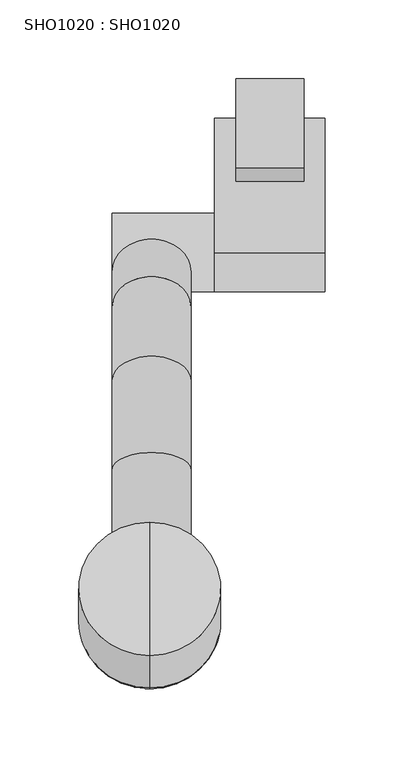
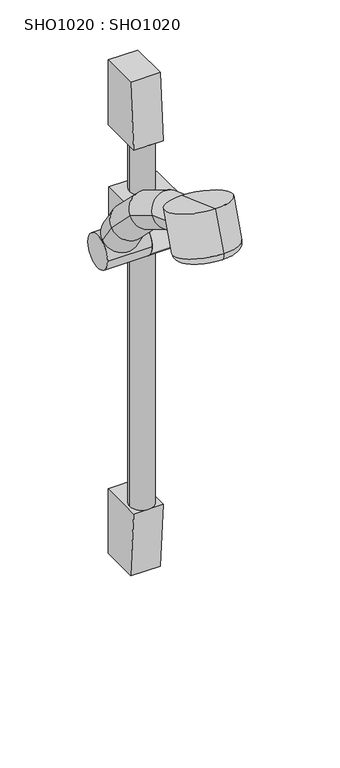
"""IFC4 building model written with IfcOpenShell, lengths in millimetres: proxy geometry, SHO1020 : SHO1020."""

from ifc_helpers import new_model, si_unit, point, frame, frame_2d, origin, place, context, project, spatial, polyline, circle_curve, ellipse_curve, trimmed, segment, composite_curve, outline, extrude, source, transform, mapped, element, save
from ifc_brep_helpers import plane_surface, cylinder_surface, revolved_surface, advanced_brep


def sho1020_sho1020_70cfc696(model_context):
    return source(origin(), model_context, "Body", "SolidModel", [
        advanced_brep(
        [(0.0, -301.3261936, 684.3144173), (0.0, -385.9329646, 715.0014553), (0.0, -365.4550158, 771.4609001), (0.0, -280.8482448, 740.7738621), (0.0, -314.0603622, 678.3034915), (0.0, -380.0131289, 702.2246864), (0.0, -347.1192145, 690.2940006), (0.0, -323.1688213, 756.0699841)],
        [
            (0, 1, circle_curve(frame((0.0, -343.6295791, 699.6579363), z_axis=(0.0, 0.3409670888109992, 0.9400752333445191), x_axis=(0.0, -0.9400752333445191, 0.3409670888109992)), 45.0)),
            (1, 2),
            (2, 3, circle_curve(frame((0.0, -323.1516303, 756.1173811), z_axis=(0.0, -0.3409670888109992, -0.9400752333445191), x_axis=(0.0, -0.9400752333445191, 0.3409670888109992)), 45.0)),
            (3, 0),
            (1, 0, circle_curve(frame((0.0, -343.6295791, 699.6579363), z_axis=(0.0, 0.3409670888109992, 0.9400752333445191), x_axis=(0.0, -0.9400752333445191, 0.3409670888109992)), 45.0)),
            (3, 2, circle_curve(frame((0.0, -323.1516303, 756.1173811), z_axis=(0.0, -0.3409670888109992, -0.9400752333445191), x_axis=(0.0, -0.9400752333445191, 0.3409670888109992)), 45.0)),
            (4, 5, circle_curve(frame((0.0, -347.0367455, 690.2640889), z_axis=(0.0, 0.3409670888109992, 0.9400752333445191), x_axis=(0.0, -0.9400752333445191, 0.3409670888109992)), 35.0784514)),
            (5, 1, circle_curve(frame((0.0, -376.5929216, 711.6216288), z_axis=(-1.0, 0.0, 0.0), x_axis=(0.0, -1.0, 0.0)), 10.0000172)),
            (0, 4, circle_curve(frame((0.0, -310.6612203, 687.7080744), z_axis=(-1.0, 0.0, 0.0), x_axis=(0.0, 0.7674828886955043, -0.6410694311536029)), 10.0000172)),
            (5, 4, circle_curve(frame((0.0, -347.0367455, 690.2640889), z_axis=(0.0, 0.3409670888109992, 0.9400752333445191), x_axis=(0.0, -0.9400752333445191, 0.3409670888109992)), 35.0784514)),
            (6, 5),
            (4, 6),
            (2, 7),
            (7, 3),
        ],
        [
            cylinder_surface(frame((0.0, -323.1688213, 756.0699841), z_axis=(0.0, -0.3409670888109992, -0.9400752333445191), x_axis=(0.0, -0.9400752333445191, 0.3409670888109992)), 45.0),
            revolved_surface(trimmed(ellipse_curve(frame((0.0, -376.5929216, 711.6216288), z_axis=(1.0, 0.0, 0.0), x_axis=(0.0, -1.0, 0.0)), 10.0000172, 10.0000172), [point((0.0, -385.9961958, 715.0243893))], [point((0.0, -380.0131289, 702.2246864))], True, "CARTESIAN"), (0.0, -323.1688213, 756.0699841), (0.0, -0.3409670888109992, -0.9400752333445191)),
            plane_surface(frame((0.0, -347.0367455, 690.2640889), z_axis=(0.0, -0.3409670888109992, -0.9400752333445191), x_axis=(0.0, -0.9400752333445191, 0.3409670888109992))),
            plane_surface(frame((0.0, -323.1688213, 756.0699841), z_axis=(0.0, 0.3409670888109992, 0.9400752333445191), x_axis=(0.0, -0.9400752333445191, 0.3409670888109992))),
        ],
        [
            (0, [[1, 2, 3, 4]]),
            (0, [[5, -4, 6, -2]]),
            (1, [[7, 8, -1, 9]]),
            (1, [[10, -9, -5, -8]]),
            (2, [[11, -7, 12]]),
            (2, [[-12, -10, -11]]),
            (3, [[-3, 13, 14]]),
            (3, [[-6, -14, -13]]),
        ],
    ),
        advanced_brep(
        [(-23.8172618, -298.1800007, 716.7300161), (26.1827382, -298.1800007, 716.7300161), (-23.8172618, -247.7577527, 698.3778187), (26.1827382, -247.7577527, 698.3778187), (-23.8172618, -191.370005, 663.8099905), (26.1827382, -191.370005, 663.8099905), (-23.8172618, -144.6464787, 617.0864642), (26.1827382, -144.6464787, 617.0864642), (-23.8172618, -122.2787626, 583.9249613), (26.1827382, -122.2787626, 583.9249613)],
        [
            (0, 1, circle_curve(frame((1.1827382, -298.1800007, 716.7300161), z_axis=(0.0, -0.9396926207859072, 0.34202014332567193), x_axis=(1.0, 0.0, 0.0)), 25.0)),
            (1, 0, circle_curve(frame((1.1827382, -298.1800007, 716.7300161), z_axis=(0.0, -0.9396926207859072, 0.34202014332567193), x_axis=(1.0, 0.0, 0.0)), 25.0)),
            (0, 2),
            (2, 3, ellipse_curve(frame((1.1827382, -247.7577527, 698.3778187), z_axis=(0.0, -0.9006607902374254, 0.43452288884349505), x_axis=(0.0, -0.43452288884349577, -0.900660790237425)), 25.1266413, 25.0)),
            (3, 1),
            (3, 2, ellipse_curve(frame((1.1827382, -247.7577527, 698.3778187), z_axis=(0.0, -0.9006607902374254, 0.43452288884349505), x_axis=(0.0, -0.43452288884349577, -0.900660790237425)), 25.1266413, 25.0)),
            (2, 4),
            (4, 5, ellipse_curve(frame((1.1827382, -191.370005, 663.8099905), z_axis=(0.0, -0.7852635669697274, 0.6191616351082974), x_axis=(0.0, -0.6191616351082976, -0.7852635669697274)), 25.1742414, 25.0)),
            (5, 3),
            (5, 4, ellipse_curve(frame((1.1827382, -191.370005, 663.8099905), z_axis=(0.0, -0.7852635669697274, 0.6191616351082974), x_axis=(0.0, -0.6191616351082976, -0.7852635669697274)), 25.1742414, 25.0)),
            (4, 6),
            (6, 7, ellipse_curve(frame((1.1827382, -144.6464787, 617.0864642), z_axis=(0.0, -0.6360782202777626, 0.7716245833877212), x_axis=(0.0, -0.7716245833877196, -0.6360782202777644)), 25.1156274, 25.0)),
            (7, 5),
            (7, 6, ellipse_curve(frame((1.1827382, -144.6464787, 617.0864642), z_axis=(0.0, -0.6360782202777626, 0.7716245833877212), x_axis=(0.0, -0.7716245833877196, -0.6360782202777644)), 25.1156274, 25.0)),
            (8, 9, circle_curve(frame((1.1827382, -122.2787626, 583.9249613), z_axis=(0.0, 0.5591929034707458, -0.8290375725550426), x_axis=(1.0, 0.0, 0.0)), 25.0)),
            (9, 8, circle_curve(frame((1.1827382, -122.2787626, 583.9249613), z_axis=(0.0, 0.5591929034707458, -0.8290375725550426), x_axis=(1.0, 0.0, 0.0)), 25.0)),
            (6, 8),
            (9, 7),
        ],
        [
            plane_surface(frame((76.1827382, -298.1800007, 716.7300161), z_axis=(0.0, -0.9396926207859072, 0.34202014332567193), x_axis=(1.0, 0.0, 0.0))),
            cylinder_surface(frame((1.1827382, -298.1800007, 716.7300161), z_axis=(0.0, -0.9396926207859072, 0.34202014332567193), x_axis=(1.0, 0.0, 0.0)), 25.0),
            cylinder_surface(frame((1.1827382, -247.7577527, 698.3778187), z_axis=(0.0, -0.8525500812117509, 0.5226455386070343), x_axis=(1.0, 0.0, 0.0)), 25.0),
            cylinder_surface(frame((1.1827382, -191.370005, 663.8099905), z_axis=(0.0, -0.7071067811865461, 0.7071067811865491), x_axis=(1.0, 0.0, 0.0)), 25.0),
            plane_surface(frame((76.1827382, -122.2787626, 583.9249613), z_axis=(0.0, 0.5591929034707458, -0.8290375725550425), x_axis=(1.0, 0.0, 0.0))),
            cylinder_surface(frame((1.1827382, -144.6464787, 617.0864642), z_axis=(0.0, -0.5591929034707457, 0.8290375725550424), x_axis=(1.0, 0.0, 0.0)), 25.0),
        ],
        [
            (0, [[1, 2]]),
            (1, [[-1, 3, 4, 5]]),
            (1, [[-2, -5, 6, -3]]),
            (2, [[-4, 7, 8, 9]]),
            (2, [[-6, -9, 10, -7]]),
            (3, [[-8, 11, 12, 13]]),
            (3, [[-10, -13, 14, -11]]),
            (4, [[15, 16]]),
            (5, [[-12, 17, -16, 18]]),
            (5, [[-14, -18, -15, -17]]),
        ],
    ),
        extrude(outline(composite_curve([segment(polyline([(-25.0000002, 534.3100099), (-109.9999988, 534.3100099)]), True, "CONTINUOUS"), segment(trimmed(circle_curve(frame_2d((-109.9999988, 559.3100101)), 25.0000003), [point((-109.9999988, 534.3100099))], [point((-109.9999988, 584.3100104))], False, "CARTESIAN"), True, "CONTINUOUS"), segment(polyline([(-109.9999988, 584.3100104), (-25.0000002, 584.3100104), (-25.0000002, 534.3100099)]), True, "CONTINUOUS")], self_intersect=False)), frame((41.1827375, 0.0, 0.0), z_axis=(1.0, 0.0, 0.0), x_axis=(0.0, 1.0, 0.0)), (0.0, 0.0, 1.0), 70.0000014),
        extrude(outline(composite_curve([segment(trimmed(circle_curve(frame_2d((-109.9999988, 559.3100101)), 25.0000004), [point((-84.9999985, 559.3100101))], [point((-134.9999992, 559.3100101))], False, "CARTESIAN"), True, "CONTINUOUS"), segment(trimmed(circle_curve(frame_2d((-109.9999988, 559.3100101)), 25.0000004), [point((-134.9999992, 559.3100101))], [point((-84.9999985, 559.3100101))], False, "CARTESIAN"), True, "CONTINUOUS")], self_intersect=False)), frame((-23.8172626, 0.0, 0.0), z_axis=(1.0, 0.0, 0.0), x_axis=(0.0, 1.0, 0.0)), (0.0, 0.0, 1.0), 135.0000015),
        extrude(outline(composite_curve([segment(trimmed(circle_curve(frame_2d((76.1827382, -47.4999993)), 17.5), [point((58.6827382, -47.4999993))], [point((93.6827382, -47.4999993))], False, "CARTESIAN"), True, "CONTINUOUS"), segment(trimmed(circle_curve(frame_2d((76.1827382, -47.4999993)), 17.5), [point((93.6827382, -47.4999993))], [point((58.6827382, -47.4999993))], False, "CARTESIAN"), True, "CONTINUOUS")], self_intersect=False)), frame((0.0, 0.0, 100.0000008), z_axis=(0.0, 0.0, 1.0), x_axis=(1.0, 0.0, 0.0)), (0.0, 0.0, 1.0), 559.9999752),
        extrude(outline(polyline([(-64.9999978, 100.0000008), (0.0, 100.0000008), (0.0, 0.0), (-56.6799978, 0.0), (-64.9999978, 100.0000008)])), frame((54.6827382, 0.0, 0.0), z_axis=(1.0, 0.0, 0.0), x_axis=(0.0, 1.0, 0.0)), (0.0, 0.0, 1.0), 43.0),
        extrude(outline(polyline([(-64.9999978, 659.999976), (-56.6799978, 759.9999767), (0.0, 759.9999767), (0.0, 659.999976), (-64.9999978, 659.999976)])), frame((54.6827382, 0.0, 0.0), z_axis=(1.0, 0.0, 0.0), x_axis=(0.0, 1.0, 0.0)), (0.0, 0.0, 1.0), 43.0),
    ])


if __name__ == "__main__":
    model = new_model("IFC4")
    model_context = context("Model", 3, world=origin())
    ifc_project = project(units=[si_unit("LENGTHUNIT", "METRE", prefix="MILLI")], contexts=[model_context])
    site = spatial("IfcSite", under=ifc_project)
    building = spatial("IfcBuilding", under=site)
    placement = place(None, origin())
    sho1020_sho1020_shape = sho1020_sho1020_70cfc696(model_context)
    element("IfcBuildingElementProxy", 1, Name="SHO1020 : SHO1020", ObjectType="SHO1020 : SHO1020", at=placement, inside=building, context=model_context, shape_type="MappedRepresentation", body=[
        mapped(sho1020_sho1020_shape, transform((0.0, 0.0, 0.0), x_axis=(1.0, 0.0, 0.0), y_axis=(0.0, 1.0, 0.0), z_axis=(0.0, 0.0, 1.0))),
    ])
    save(model, "model.ifc")
